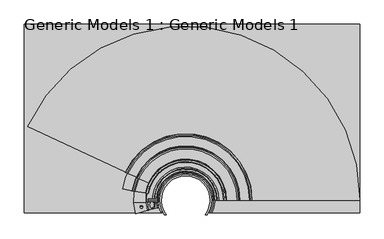
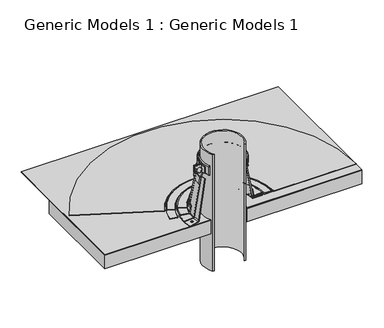
"""IFC4 building model written with IfcOpenShell, lengths in millimetres: proxy geometry, Generic Models 1 : Generic Models 1."""

from ifc_helpers import new_model, si_unit, point, frame, frame_2d, origin, place, context, project, spatial, polyline, circle_curve, ellipse_curve, trimmed, segment, composite_curve, outline, extrude, source, transform, mapped, element, save
from ifc_brep_helpers import plane_surface, cylinder_surface, revolved_surface, advanced_brep


def generic_models_1_generic_models_1_8d5bf27e(model_context):
    return source(origin(), model_context, "Body", "SolidModel", [
        advanced_brep(
        [(-66.7992773, 12.7, 353.9264172), (-67.5893807, 12.7, 353.9264172), (-67.194329, 12.7, 350.7089791), (-66.7992773, 12.7, 369.552659), (-67.5893807, 12.7, 369.552659), (-64.4139076, 12.7, 369.552659), (-69.9747504, 12.7, 369.552659), (-64.4139076, 12.7, 370.346409), (-69.9747504, 12.7, 370.346409), (-67.194329, 12.7, 370.346409)],
        [
            (0, 1, circle_curve(frame((-67.194329, 12.7, 353.9264172), z_axis=(0.0, 0.0, -1.0), x_axis=(-1.0, 0.0, 0.0)), 0.3950517)),
            (1, 2),
            (2, 0),
            (3, 4, circle_curve(frame((-67.194329, 12.7, 369.552659), z_axis=(0.0, 0.0, -1.0), x_axis=(-1.0, 0.0, 0.0)), 0.3950517)),
            (4, 1),
            (0, 3),
            (5, 6, circle_curve(frame((-67.194329, 12.7, 369.552659), z_axis=(0.0, 0.0, -1.0), x_axis=(-1.0, 0.0, 0.0)), 2.7804214)),
            (6, 4),
            (3, 5),
            (7, 8, circle_curve(frame((-67.194329, 12.7, 370.346409), z_axis=(0.0, 0.0, -1.0), x_axis=(-1.0, 0.0, 0.0)), 2.7804214)),
            (8, 6),
            (5, 7),
            (9, 8),
            (7, 9),
            (1, 0, circle_curve(frame((-67.194329, 12.7, 353.9264172), z_axis=(0.0, 0.0, -1.0), x_axis=(-1.0, 0.0, 0.0)), 0.3950517)),
            (4, 3, circle_curve(frame((-67.194329, 12.7, 369.552659), z_axis=(0.0, 0.0, -1.0), x_axis=(-1.0, 0.0, 0.0)), 0.3950517)),
            (6, 5, circle_curve(frame((-67.194329, 12.7, 369.552659), z_axis=(0.0, 0.0, -1.0), x_axis=(-1.0, 0.0, 0.0)), 2.7804214)),
            (8, 7, circle_curve(frame((-67.194329, 12.7, 370.346409), z_axis=(0.0, 0.0, -1.0), x_axis=(-1.0, 0.0, 0.0)), 2.7804214)),
        ],
        [
            revolved_surface(polyline([(-67.194329, 12.7, 350.7089791), (-67.5893807, 12.7, 353.9264172)]), (-67.194329, 12.7, 365.1803537), (0.0, 0.0, 1.0)),
            cylinder_surface(frame((-67.194329, 12.7, 365.1803537), z_axis=(0.0, 0.0, 1.0), x_axis=(-1.0, 0.0, 0.0)), 0.3950517),
            plane_surface(frame((-67.194329, 12.7, 369.552659), z_axis=(0.0, 0.0, -1.0), x_axis=(-1.0, 0.0, 0.0))),
            cylinder_surface(frame((-67.194329, 12.7, 365.1803537), z_axis=(0.0, 0.0, 1.0), x_axis=(-1.0, 0.0, 0.0)), 2.7804214),
            plane_surface(frame((-67.194329, 12.7, 370.346409), z_axis=(0.0, 0.0, 1.0), x_axis=(-1.0, 0.0, 0.0))),
        ],
        [
            (0, [[1, 2, 3]]),
            (1, [[4, 5, -1, 6]]),
            (2, [[7, 8, -4, 9]]),
            (3, [[10, 11, -7, 12]]),
            (4, [[13, -10, 14]]),
            (0, [[15, -3, -2]]),
            (1, [[16, -6, -15, -5]]),
            (2, [[17, -9, -16, -8]]),
            (3, [[18, -12, -17, -11]]),
            (4, [[-14, -18, -13]]),
        ],
    ),
        advanced_brep(
        [(132.8749503, 26.8183165, 370.346409), (132.8749503, 26.8183165, 371.933909), (108.3787769, 26.8183165, 371.933909), (106.8153946, 26.8183165, 373.2457426), (87.5709061, 26.8183165, 482.3866604), (86.0075238, 26.8183165, 482.1109939), (105.2520123, 26.8183165, 372.9700761), (108.3787769, 26.8183165, 370.346409), (-82.877108, 21.16865, 370.346409), (-58.4145057, 22.4506807, 370.346409), (-55.2920262, 22.6143229, 372.9700761), (-36.0739116, 23.6215016, 482.1109939), (-37.6351514, 23.5396805, 482.3866604), (-56.853266, 22.5325018, 373.2457426), (-58.4145057, 22.4506807, 371.933909), (-82.877108, 21.16865, 371.933909)],
        [
            (0, 1),
            (1, 2),
            (2, 3, circle_curve(frame((108.3787769, 26.8183165, 373.521409), z_axis=(0.0, 1.0, 0.0), x_axis=(1.0, 0.0, 0.0)), 1.5875)),
            (3, 4),
            (4, 5),
            (5, 6),
            (6, 7, circle_curve(frame((108.3787769, 26.8183165, 373.521409), z_axis=(0.0, -1.0, 0.0), x_axis=(1.0, 0.0, 0.0)), 3.175)),
            (7, 0),
            (8, 9),
            (9, 10, circle_curve(frame((-58.4145057, 22.4506807, 373.521409), z_axis=(0.05233595624293691, -0.9986295347545743, 0.0), x_axis=(-0.9986295347545743, -0.05233595624293691, 0.0)), 3.175)),
            (10, 11),
            (11, 12),
            (12, 13),
            (13, 14, circle_curve(frame((-58.4145057, 22.4506807, 373.521409), z_axis=(-0.05233595624293691, 0.9986295347545743, 0.0), x_axis=(-0.9986295347545743, -0.05233595624293691, 0.0)), 1.5875)),
            (14, 15),
            (15, 8),
            (15, 1, circle_curve(frame((24.9249503, 26.8183165, 371.933909), z_axis=(0.0, 0.0, -1.0), x_axis=(1.0, 0.0, 0.0)), 107.95)),
            (0, 8, circle_curve(frame((24.9249503, 26.8183165, 370.346409), z_axis=(0.0, 0.0, 1.0), x_axis=(1.0, 0.0, 0.0)), 107.95)),
            (7, 9, circle_curve(frame((24.9249503, 26.8183165, 370.346409), z_axis=(0.0, 0.0, 1.0), x_axis=(1.0, 0.0, 0.0)), 83.4538266)),
            (6, 10, circle_curve(frame((24.9249503, 26.8183165, 372.9700761), z_axis=(0.0, 0.0, 1.0), x_axis=(1.0, 0.0, 0.0)), 80.327062)),
            (5, 11, circle_curve(frame((24.9249503, 26.8183165, 482.1109939), z_axis=(0.0, 0.0, 1.0), x_axis=(1.0, 0.0, 0.0)), 61.0825735)),
            (4, 12, circle_curve(frame((24.9249503, 26.8183165, 482.3866604), z_axis=(0.0, 0.0, 1.0), x_axis=(1.0, 0.0, 0.0)), 62.6459558)),
            (14, 2, circle_curve(frame((24.9249503, 26.8183165, 371.933909), z_axis=(0.0, 0.0, -1.0), x_axis=(1.0, 0.0, 0.0)), 83.4538266)),
            (13, 3, circle_curve(frame((24.9249503, 26.8183165, 373.2457426), z_axis=(0.0, 0.0, -1.0), x_axis=(1.0, 0.0, 0.0)), 81.8904443)),
        ],
        [
            plane_surface(frame((24.9249503, 26.8183165, 553.3315424), z_axis=(0.0, -1.0, 0.0), x_axis=(1.0, 0.0, 0.0))),
            plane_surface(frame((24.9249503, 26.8183165, 553.3315424), z_axis=(0.05233595624293692, -0.9986295347545743, 0.0), x_axis=(-0.9986295347545743, -0.05233595624293692, 0.0))),
            cylinder_surface(frame((24.9249503, 26.8183165, 553.3315424), z_axis=(0.0, 0.0, 1.0), x_axis=(1.0, 0.0, 0.0)), 107.95),
            plane_surface(frame((24.9249503, 26.8183165, 370.346409), z_axis=(0.0, 0.0, -1.0), x_axis=(1.0, 0.0, 0.0))),
            revolved_surface(trimmed(ellipse_curve(frame((108.3787769, 26.8183165, 373.521409), z_axis=(0.0, -1.0, 0.0), x_axis=(1.0, 0.0, 0.0)), 3.175, 3.175), [point((105.2520123, 26.8183165, 372.9700761))], [point((108.3787769, 26.8183165, 370.346409))], True, "CARTESIAN"), (24.9249503, 26.8183165, 553.3315424), (0.0, 0.0, 1.0)),
            revolved_surface(polyline([(86.0075238, 26.8183165, 482.1109939), (105.2520123, 26.8183165, 372.9700761)]), (24.9249503, 26.8183165, 553.3315424), (0.0, 0.0, 1.0)),
            revolved_surface(polyline([(87.5709061, 26.8183165, 482.3866604), (86.0075238, 26.8183165, 482.1109939)]), (24.9249503, 26.8183165, 553.3315424), (0.0, 0.0, 1.0)),
            plane_surface(frame((24.9249503, 26.8183165, 371.933909), z_axis=(0.0, 0.0, 1.0), x_axis=(1.0, 0.0, 0.0))),
            revolved_surface(trimmed(ellipse_curve(frame((108.3787769, 26.8183165, 373.521409), z_axis=(0.0, 1.0, 0.0), x_axis=(1.0, 0.0, 0.0)), 1.5875, 1.5875), [point((108.3787769, 26.8183165, 371.933909))], [point((106.8153946, 26.8183165, 373.2457426))], True, "CARTESIAN"), (24.9249503, 26.8183165, 553.3315424), (0.0, 0.0, 1.0)),
            revolved_surface(polyline([(106.8153946, 26.8183165, 373.2457426), (87.5709061, 26.8183165, 482.3866604)]), (24.9249503, 26.8183165, 553.3315424), (0.0, 0.0, 1.0)),
        ],
        [
            (0, [[1, 2, 3, 4, 5, 6, 7, 8]]),
            (1, [[9, 10, 11, 12, 13, 14, 15, 16]]),
            (2, [[17, -1, 18, -16]]),
            (3, [[-18, -8, 19, -9]]),
            (4, [[-19, -7, 20, -10]]),
            (5, [[-20, -6, 21, -11]]),
            (6, [[-21, -5, 22, -12]]),
            (7, [[23, -2, -17, -15]]),
            (8, [[24, -3, -23, -14]]),
            (9, [[-22, -4, -24, -13]]),
        ],
    ),
        advanced_brep(
        [(82.0749503, 26.8183165, 493.8055907), (82.9845069, 26.8183165, 491.0062634), (88.6556603, 26.8183165, 483.2005904), (89.213796, 26.8183165, 481.8857052), (92.1622414, 26.8183165, 465.1642401), (93.7256237, 26.8183165, 465.4399066), (90.7771783, 26.8183165, 482.1613716), (89.9399748, 26.8183165, 484.1336995), (84.2688214, 26.8183165, 491.9393725), (83.6624503, 26.8183165, 493.8055907), (83.6624503, 26.8183165, 518.7101114), (82.0749503, 26.8183165, 518.7101114), (-32.0075767, 21.8373658, 493.8055907), (-32.0075767, 21.8373658, 518.7101114), (-33.5890358, 21.699006, 518.7101114), (-33.5890358, 21.699006, 493.8055907), (-34.1930994, 21.6461573, 491.9393725), (-39.8426724, 21.1518837, 484.1336995), (-40.6766901, 21.0789166, 482.1613716), (-43.6139158, 20.8219427, 465.4399066), (-42.0564826, 20.9582004, 465.1642401), (-39.1192569, 21.2151744, 481.8857052), (-38.5632451, 21.2638191, 483.2005904), (-32.9136721, 21.7580927, 491.0062634)],
        [
            (0, 1, circle_curve(frame((86.8374503, 26.8183165, 493.8055907), z_axis=(0.0, -1.0, 0.0), x_axis=(1.0, 0.0, 0.0)), 4.7625)),
            (1, 2),
            (2, 3, circle_curve(frame((86.0870314, 26.8183165, 481.3343722), z_axis=(0.0, 1.0, 0.0), x_axis=(1.0, 0.0, 0.0)), 3.175)),
            (3, 4),
            (4, 5),
            (5, 6),
            (6, 7, circle_curve(frame((86.0870314, 26.8183165, 481.3343722), z_axis=(0.0, -1.0, 0.0), x_axis=(1.0, 0.0, 0.0)), 4.7625)),
            (7, 8),
            (8, 9, circle_curve(frame((86.8374503, 26.8183165, 493.8055907), z_axis=(0.0, 1.0, 0.0), x_axis=(1.0, 0.0, 0.0)), 3.175)),
            (9, 10),
            (10, 11),
            (11, 0),
            (12, 13),
            (13, 14),
            (14, 15),
            (15, 16, circle_curve(frame((-36.7519539, 21.4222866, 493.8055907), z_axis=(-0.08715574274765131, 0.9961946980917462, 0.0), x_axis=(-0.9961946980917462, -0.08715574274765131, 0.0)), 3.175)),
            (16, 17),
            (17, 18, circle_curve(frame((-36.0043906, 21.4876899, 481.3343722), z_axis=(0.08715574274765131, -0.9961946980917462, 0.0), x_axis=(-0.9961946980917462, -0.08715574274765131, 0.0)), 4.7625)),
            (18, 19),
            (19, 20),
            (20, 21),
            (21, 22, circle_curve(frame((-36.0043906, 21.4876899, 481.3343722), z_axis=(-0.08715574274765131, 0.9961946980917462, 0.0), x_axis=(-0.9961946980917462, -0.08715574274765131, 0.0)), 3.175)),
            (22, 23),
            (23, 12, circle_curve(frame((-36.7519539, 21.4222866, 493.8055907), z_axis=(0.08715574274765131, -0.9961946980917462, 0.0), x_axis=(-0.9961946980917462, -0.08715574274765131, 0.0)), 4.7625)),
            (14, 10, circle_curve(frame((24.9249503, 26.8183165, 518.7101114), z_axis=(0.0, 0.0, -1.0), x_axis=(1.0, 0.0, 0.0)), 58.7375)),
            (9, 15, circle_curve(frame((24.9249503, 26.8183165, 493.8055907), z_axis=(0.0, 0.0, 1.0), x_axis=(1.0, 0.0, 0.0)), 58.7375)),
            (13, 11, circle_curve(frame((24.9249503, 26.8183165, 518.7101114), z_axis=(0.0, 0.0, -1.0), x_axis=(1.0, 0.0, 0.0)), 57.15)),
            (12, 0, circle_curve(frame((24.9249503, 26.8183165, 493.8055907), z_axis=(0.0, 0.0, -1.0), x_axis=(1.0, 0.0, 0.0)), 57.15)),
            (23, 1, circle_curve(frame((24.9249503, 26.8183165, 491.0062634), z_axis=(0.0, 0.0, -1.0), x_axis=(1.0, 0.0, 0.0)), 58.0595566)),
            (22, 2, circle_curve(frame((24.9249503, 26.8183165, 483.2005904), z_axis=(0.0, 0.0, -1.0), x_axis=(1.0, 0.0, 0.0)), 63.73071)),
            (21, 3, circle_curve(frame((24.9249503, 26.8183165, 481.8857052), z_axis=(0.0, 0.0, -1.0), x_axis=(1.0, 0.0, 0.0)), 64.2888457)),
            (20, 4, circle_curve(frame((24.9249503, 26.8183165, 465.1642401), z_axis=(0.0, 0.0, -1.0), x_axis=(1.0, 0.0, 0.0)), 67.2372911)),
            (19, 5, circle_curve(frame((24.9249503, 26.8183165, 465.4399066), z_axis=(0.0, 0.0, -1.0), x_axis=(1.0, 0.0, 0.0)), 68.8006734)),
            (18, 6, circle_curve(frame((24.9249503, 26.8183165, 482.1613716), z_axis=(0.0, 0.0, -1.0), x_axis=(1.0, 0.0, 0.0)), 65.852228)),
            (17, 7, circle_curve(frame((24.9249503, 26.8183165, 484.1336995), z_axis=(0.0, 0.0, -1.0), x_axis=(1.0, 0.0, 0.0)), 65.0150245)),
            (16, 8, circle_curve(frame((24.9249503, 26.8183165, 491.9393725), z_axis=(0.0, 0.0, -1.0), x_axis=(1.0, 0.0, 0.0)), 59.343871)),
        ],
        [
            plane_surface(frame((24.9249503, 26.8183165, 553.3315424), z_axis=(0.0, -1.0, 0.0), x_axis=(1.0, 0.0, 0.0))),
            plane_surface(frame((24.9249503, 26.8183165, 553.3315424), z_axis=(0.08715574274765131, -0.9961946980917461, 0.0), x_axis=(-0.9961946980917461, -0.08715574274765131, 0.0))),
            cylinder_surface(frame((24.9249503, 26.8183165, 553.3315424), z_axis=(0.0, 0.0, 1.0), x_axis=(1.0, 0.0, 0.0)), 58.7375),
            plane_surface(frame((24.9249503, 26.8183165, 518.7101114), z_axis=(0.0, 0.0, 1.0), x_axis=(1.0, 0.0, 0.0))),
            revolved_surface(polyline([(82.0749503, 26.8183165, 518.7101114), (82.0749503, 26.8183165, 493.8055907)]), (24.9249503, 26.8183165, 553.3315424), (0.0, 0.0, 1.0)),
            revolved_surface(trimmed(ellipse_curve(frame((86.8374503, 26.8183165, 493.8055907), z_axis=(0.0, -1.0, 0.0), x_axis=(1.0, 0.0, 0.0)), 4.7625, 4.7625), [point((82.0749503, 26.8183165, 493.8055907))], [point((82.9845069, 26.8183165, 491.0062634))], True, "CARTESIAN"), (24.9249503, 26.8183165, 553.3315424), (0.0, 0.0, 1.0)),
            revolved_surface(polyline([(82.9845069, 26.8183165, 491.0062634), (88.6556603, 26.8183165, 483.2005904)]), (24.9249503, 26.8183165, 553.3315424), (0.0, 0.0, 1.0)),
            revolved_surface(trimmed(ellipse_curve(frame((86.0870314, 26.8183165, 481.3343722), z_axis=(0.0, 1.0, 0.0), x_axis=(1.0, 0.0, 0.0)), 3.175, 3.175), [point((88.6556603, 26.8183165, 483.2005904))], [point((89.213796, 26.8183165, 481.8857052))], True, "CARTESIAN"), (24.9249503, 26.8183165, 553.3315424), (0.0, 0.0, 1.0)),
            revolved_surface(polyline([(89.213796, 26.8183165, 481.8857052), (92.1622414, 26.8183165, 465.1642401)]), (24.9249503, 26.8183165, 553.3315424), (0.0, 0.0, 1.0)),
            revolved_surface(polyline([(92.1622414, 26.8183165, 465.1642401), (93.7256237, 26.8183165, 465.4399066)]), (24.9249503, 26.8183165, 553.3315424), (0.0, 0.0, 1.0)),
            revolved_surface(polyline([(93.7256237, 26.8183165, 465.4399066), (90.7771783, 26.8183165, 482.1613716)]), (24.9249503, 26.8183165, 553.3315424), (0.0, 0.0, 1.0)),
            revolved_surface(trimmed(ellipse_curve(frame((86.0870314, 26.8183165, 481.3343722), z_axis=(0.0, -1.0, 0.0), x_axis=(1.0, 0.0, 0.0)), 4.7625, 4.7625), [point((90.7771783, 26.8183165, 482.1613716))], [point((89.9399748, 26.8183165, 484.1336995))], True, "CARTESIAN"), (24.9249503, 26.8183165, 553.3315424), (0.0, 0.0, 1.0)),
            revolved_surface(polyline([(89.9399748, 26.8183165, 484.1336995), (84.2688214, 26.8183165, 491.9393725)]), (24.9249503, 26.8183165, 553.3315424), (0.0, 0.0, 1.0)),
            revolved_surface(trimmed(ellipse_curve(frame((86.8374503, 26.8183165, 493.8055907), z_axis=(0.0, 1.0, 0.0), x_axis=(1.0, 0.0, 0.0)), 3.175, 3.175), [point((84.2688214, 26.8183165, 491.9393725))], [point((83.6624503, 26.8183165, 493.8055907))], True, "CARTESIAN"), (24.9249503, 26.8183165, 553.3315424), (0.0, 0.0, 1.0)),
        ],
        [
            (0, [[1, 2, 3, 4, 5, 6, 7, 8, 9, 10, 11, 12]]),
            (1, [[13, 14, 15, 16, 17, 18, 19, 20, 21, 22, 23, 24]]),
            (2, [[25, -10, 26, -15]]),
            (3, [[27, -11, -25, -14]]),
            (4, [[28, -12, -27, -13]]),
            (5, [[29, -1, -28, -24]]),
            (6, [[30, -2, -29, -23]]),
            (7, [[31, -3, -30, -22]]),
            (8, [[32, -4, -31, -21]]),
            (9, [[33, -5, -32, -20]]),
            (10, [[34, -6, -33, -19]]),
            (11, [[35, -7, -34, -18]]),
            (12, [[36, -8, -35, -17]]),
            (13, [[-26, -9, -36, -16]]),
        ],
    ),
        extrude(outline(composite_curve([segment(trimmed(circle_curve(frame_2d((7.0940263, -1.1482682)), 6.6136328), [point((0.5808383, 0.0))], [point((0.5808383, -2.2965365))], False, "CARTESIAN"), True, "CONTINUOUS"), segment(polyline([(0.5808383, -2.2965365), (-0.2871582, -2.2965365), (-0.2871582, 0.0), (0.5808383, 0.0)]), True, "CONTINUOUS")], self_intersect=False)), frame((-42.7345771, 24.1499083, 507.7014344), z_axis=(-0.7071067811865462, 0.0, 0.7071067811865489), x_axis=(0.0, -1.0, 0.0)), (0.0, 0.0, 1.0), 1.5875),
        extrude(outline(composite_curve([segment(polyline([(-33.8071863, 27.6120665), (-52.8625497, 27.6120665), (-52.8625497, 29.1995665), (-35.353033, 29.1995665)]), True, "CONTINUOUS"), segment(trimmed(circle_curve(frame_2d((24.9249503, 26.8183165)), 60.325), [point((-35.353033, 29.1995665))], [point((78.9608969, 0.0))], False, "CARTESIAN"), True, "CONTINUOUS"), segment(polyline([(78.9608969, 0.0), (77.1826943, 0.0)]), True, "CONTINUOUS"), segment(trimmed(circle_curve(frame_2d((24.9249503, 26.8183165)), 58.7375), [point((77.1826943, 0.0))], [point((-33.8071863, 27.6120665))], True, "CARTESIAN"), True, "CONTINUOUS")], self_intersect=False)), frame((0.0, 0.0, 497.7302696), z_axis=(0.0, 0.0, 1.0), x_axis=(1.0, 0.0, 0.0)), (0.0, 0.0, 1.0), 19.05),
        extrude(outline(composite_curve([segment(trimmed(circle_curve(frame_2d((24.9249503, 26.8183165)), 60.325), [point((-33.3196456, 11.1125))], [point((-35.353033, 24.4370665))], False, "CARTESIAN"), True, "CONTINUOUS"), segment(polyline([(-35.353033, 24.4370665), (-52.8625497, 24.4370665), (-52.8625497, 26.0245665), (-33.8071863, 26.0245665)]), True, "CONTINUOUS"), segment(trimmed(circle_curve(frame_2d((24.9249503, 26.8183165)), 58.7375), [point((-33.8071863, 26.0245665))], [point((-31.6738238, 11.1125))], True, "CARTESIAN"), True, "CONTINUOUS"), segment(polyline([(-31.6738238, 11.1125), (-33.3196456, 11.1125)]), True, "CONTINUOUS")], self_intersect=False)), frame((0.0, 0.0, 497.7302696), z_axis=(0.0, 0.0, 1.0), x_axis=(1.0, 0.0, 0.0)), (0.0, 0.0, 1.0), 19.05),
        advanced_brep(
        [(78.8999503, 26.8183165, 520.9252815), (78.8999503, 26.8183165, 493.8646181), (82.0749503, 26.8183165, 496.0797882), (82.0749503, 26.8183165, 518.7101114), (-23.9930125, 4.0074958, 520.9252815), (-26.8705397, 2.6656828, 518.7101114), (-26.8705397, 2.6656828, 496.0797882), (-23.9930125, 4.0074958, 493.8646181)],
        [
            (0, 1),
            (1, 2, circle_curve(frame((77.9949597, 26.8183165, 498.5446862), z_axis=(0.0, -1.0, 0.0), x_axis=(1.0, 0.0, 0.0)), 4.7667648)),
            (2, 3),
            (3, 0, circle_curve(frame((77.9949597, 26.8183165, 516.2452133), z_axis=(0.0, -1.0, 0.0), x_axis=(1.0, 0.0, 0.0)), 4.7667648)),
            (4, 5, circle_curve(frame((-23.1728124, 4.3899614, 516.2452133), z_axis=(0.42261826174069284, -0.906307787036653, 0.0), x_axis=(-0.906307787036653, -0.42261826174069284, 0.0)), 4.7667648)),
            (5, 6),
            (6, 7, circle_curve(frame((-23.1728124, 4.3899614, 498.5446862), z_axis=(0.42261826174069284, -0.906307787036653, 0.0), x_axis=(-0.906307787036653, -0.42261826174069284, 0.0)), 4.7667648)),
            (7, 4),
            (7, 1, circle_curve(frame((24.9249503, 26.8183165, 493.8646181), z_axis=(0.0, 0.0, -1.0), x_axis=(1.0, 0.0, 0.0)), 53.975)),
            (0, 4, circle_curve(frame((24.9249503, 26.8183165, 520.9252815), z_axis=(0.0, 0.0, 1.0), x_axis=(1.0, 0.0, 0.0)), 53.975)),
            (5, 3, circle_curve(frame((24.9249503, 26.8183165, 518.7101114), z_axis=(0.0, 0.0, -1.0), x_axis=(1.0, 0.0, 0.0)), 57.15)),
            (2, 6, circle_curve(frame((24.9249503, 26.8183165, 496.0797882), z_axis=(0.0, 0.0, 1.0), x_axis=(1.0, 0.0, 0.0)), 57.15)),
        ],
        [
            plane_surface(frame((24.9249503, 26.8183165, 553.3315424), z_axis=(0.0, -1.0, 0.0), x_axis=(1.0, 0.0, 0.0))),
            plane_surface(frame((24.9249503, 26.8183165, 553.3315424), z_axis=(0.42261826174069284, -0.9063077870366532, 0.0), x_axis=(-0.9063077870366532, -0.42261826174069284, 0.0))),
            revolved_surface(polyline([(78.8999503, 26.8183165, 520.9252815), (78.8999503, 26.8183165, 493.8646181)]), (24.9249503, 26.8183165, 553.3315424), (0.0, 0.0, 1.0)),
            cylinder_surface(frame((24.9249503, 26.8183165, 553.3315424), z_axis=(0.0, 0.0, 1.0), x_axis=(1.0, 0.0, 0.0)), 57.15),
            revolved_surface(trimmed(ellipse_curve(frame((77.9949597, 26.8183165, 516.2452133), z_axis=(0.0, -1.0, 0.0), x_axis=(1.0, 0.0, 0.0)), 4.7667648, 4.7667648), [point((82.0749503, 26.8183165, 518.7101114))], [point((78.8999503, 26.8183165, 520.9252815))], True, "CARTESIAN"), (24.9249503, 26.8183165, 553.3315424), (0.0, 0.0, 1.0)),
            revolved_surface(trimmed(ellipse_curve(frame((77.9949597, 26.8183165, 498.5446862), z_axis=(0.0, -1.0, 0.0), x_axis=(1.0, 0.0, 0.0)), 4.7667648, 4.7667648), [point((78.8999503, 26.8183165, 493.8646181))], [point((82.0749503, 26.8183165, 496.0797882))], True, "CARTESIAN"), (24.9249503, 26.8183165, 553.3315424), (0.0, 0.0, 1.0)),
        ],
        [
            (0, [[1, 2, 3, 4]]),
            (1, [[5, 6, 7, 8]]),
            (2, [[9, -1, 10, -8]]),
            (3, [[11, -3, 12, -6]]),
            (4, [[-10, -4, -11, -5]]),
            (5, [[-12, -2, -9, -7]]),
        ],
    ),
        advanced_brep(
        [(132.2173863, 26.8183165, 374.315159), (134.4624503, 26.8183165, 373.3852231), (136.5713284, 26.8183165, 371.276345), (138.8163924, 26.8183165, 370.346409), (157.8353338, 26.8183165, 370.346409), (159.4228338, 26.8183165, 369.9210397), (162.2085413, 26.8183165, 368.3127107), (163.7960413, 26.8183165, 367.8873414), (387.35, 26.8183165, 367.8873414), (387.35, 26.8183165, 369.4748414), (163.7960413, 26.8183165, 369.4748414), (163.0022913, 26.8183165, 369.687526), (160.2165838, 26.8183165, 371.295855), (157.8353338, 26.8183165, 371.933909), (138.8163924, 26.8183165, 371.933909), (137.6938604, 26.8183165, 372.398877), (135.5849823, 26.8183165, 374.5077551), (132.2173863, 26.8183165, 375.902659), (110.7678754, 26.8183165, 375.902659), (110.7678754, 26.8183165, 374.315159), (-72.3150199, 72.1620593, 374.315159), (-52.8751611, 63.0971043, 374.315159), (-52.8751611, 63.0971043, 375.902659), (-72.3150199, 72.1620593, 375.902659), (-75.3670984, 73.5852669, 374.5077551), (-77.278391, 74.4765172, 372.398877), (-78.2957505, 74.9509198, 371.933909), (-95.5327652, 82.9886717, 371.933909), (-97.6909106, 83.9950315, 371.295855), (-100.2156191, 85.1723223, 369.687526), (-100.9350009, 85.5077756, 369.4748414), (-303.5436944, 179.985761, 369.4748414), (-303.5436944, 179.985761, 367.8873414), (-100.9350009, 85.5077756, 367.8873414), (-99.4962373, 84.8368691, 368.3127107), (-96.9715288, 83.6595782, 369.9210397), (-95.5327652, 82.9886717, 370.346409), (-78.2957505, 74.9509198, 370.346409), (-76.2610315, 74.0021147, 371.276345), (-74.3497389, 73.1108643, 373.3852231)],
        [
            (0, 1, circle_curve(frame((132.2173863, 26.8183165, 371.140159), z_axis=(0.0, 1.0, 0.0), x_axis=(1.0, 0.0, 0.0)), 3.175)),
            (1, 2),
            (2, 3, circle_curve(frame((138.8163924, 26.8183165, 373.521409), z_axis=(0.0, -1.0, 0.0), x_axis=(1.0, 0.0, 0.0)), 3.175)),
            (3, 4),
            (4, 5, circle_curve(frame((157.8353338, 26.8183165, 367.171409), z_axis=(0.0, 1.0, 0.0), x_axis=(1.0, 0.0, 0.0)), 3.175)),
            (5, 6),
            (6, 7, circle_curve(frame((163.7960413, 26.8183165, 371.0623414), z_axis=(0.0, -1.0, 0.0), x_axis=(1.0, 0.0, 0.0)), 3.175)),
            (7, 8),
            (8, 9),
            (9, 10),
            (10, 11, circle_curve(frame((163.7960413, 26.8183165, 371.0623414), z_axis=(0.0, 1.0, 0.0), x_axis=(1.0, 0.0, 0.0)), 1.5875)),
            (11, 12),
            (12, 13, circle_curve(frame((157.8353338, 26.8183165, 367.171409), z_axis=(0.0, -1.0, 0.0), x_axis=(1.0, 0.0, 0.0)), 4.7625)),
            (13, 14),
            (14, 15, circle_curve(frame((138.8163924, 26.8183165, 373.521409), z_axis=(0.0, 1.0, 0.0), x_axis=(1.0, 0.0, 0.0)), 1.5875)),
            (15, 16),
            (16, 17, circle_curve(frame((132.2173863, 26.8183165, 371.140159), z_axis=(0.0, -1.0, 0.0), x_axis=(1.0, 0.0, 0.0)), 4.7625)),
            (17, 18),
            (18, 19),
            (19, 0),
            (20, 21),
            (21, 22),
            (22, 23),
            (23, 24, circle_curve(frame((-72.3150199, 72.1620593, 371.140159), z_axis=(-0.4226182617407047, -0.9063077870366475, 0.0), x_axis=(-0.9063077870366475, 0.4226182617407047, 0.0)), 4.7625)),
            (24, 25),
            (25, 26, circle_curve(frame((-78.2957505, 74.9509198, 373.521409), z_axis=(0.4226182617407047, 0.9063077870366475, 0.0), x_axis=(-0.9063077870366475, 0.4226182617407047, 0.0)), 1.5875)),
            (26, 27),
            (27, 28, circle_curve(frame((-95.5327652, 82.9886717, 367.171409), z_axis=(-0.4226182617407047, -0.9063077870366475, 0.0), x_axis=(-0.9063077870366475, 0.4226182617407047, 0.0)), 4.7625)),
            (28, 29),
            (29, 30, circle_curve(frame((-100.9350009, 85.5077756, 371.0623414), z_axis=(0.4226182617407047, 0.9063077870366475, 0.0), x_axis=(-0.9063077870366475, 0.4226182617407047, 0.0)), 1.5875)),
            (30, 31),
            (31, 32),
            (32, 33),
            (33, 34, circle_curve(frame((-100.9350009, 85.5077756, 371.0623414), z_axis=(-0.4226182617407047, -0.9063077870366475, 0.0), x_axis=(-0.9063077870366475, 0.4226182617407047, 0.0)), 3.175)),
            (34, 35),
            (35, 36, circle_curve(frame((-95.5327652, 82.9886717, 367.171409), z_axis=(0.4226182617407047, 0.9063077870366475, 0.0), x_axis=(-0.9063077870366475, 0.4226182617407047, 0.0)), 3.175)),
            (36, 37),
            (37, 38, circle_curve(frame((-78.2957505, 74.9509198, 373.521409), z_axis=(-0.4226182617407047, -0.9063077870366475, 0.0), x_axis=(-0.9063077870366475, 0.4226182617407047, 0.0)), 3.175)),
            (38, 39),
            (39, 20, circle_curve(frame((-72.3150199, 72.1620593, 371.140159), z_axis=(0.4226182617407047, 0.9063077870366475, 0.0), x_axis=(-0.9063077870366475, 0.4226182617407047, 0.0)), 3.175)),
            (36, 4, circle_curve(frame((24.9249503, 26.8183165, 370.346409), z_axis=(0.0, 0.0, -1.0), x_axis=(1.0, 0.0, 0.0)), 132.9103835)),
            (3, 37, circle_curve(frame((24.9249503, 26.8183165, 370.346409), z_axis=(0.0, 0.0, 1.0), x_axis=(1.0, 0.0, 0.0)), 113.8914421)),
            (20, 0, circle_curve(frame((24.9249503, 26.8183165, 374.315159), z_axis=(0.0, 0.0, -1.0), x_axis=(1.0, 0.0, 0.0)), 107.292436)),
            (19, 21, circle_curve(frame((24.9249503, 26.8183165, 374.315159), z_axis=(0.0, 0.0, 1.0), x_axis=(1.0, 0.0, 0.0)), 85.8429251)),
            (34, 6, circle_curve(frame((24.9249503, 26.8183165, 368.3127107), z_axis=(0.0, 0.0, -1.0), x_axis=(1.0, 0.0, 0.0)), 137.283591)),
            (5, 35, circle_curve(frame((24.9249503, 26.8183165, 369.9210397), z_axis=(0.0, 0.0, 1.0), x_axis=(1.0, 0.0, 0.0)), 134.4978835)),
            (32, 8, circle_curve(frame((24.9249503, 26.8183165, 367.8873414), z_axis=(0.0, 0.0, -1.0), x_axis=(1.0, 0.0, 0.0)), 362.4250497)),
            (7, 33, circle_curve(frame((24.9249503, 26.8183165, 367.8873414), z_axis=(0.0, 0.0, 1.0), x_axis=(1.0, 0.0, 0.0)), 138.871091)),
            (31, 9, circle_curve(frame((24.9249503, 26.8183165, 369.4748414), z_axis=(0.0, 0.0, -1.0), x_axis=(1.0, 0.0, 0.0)), 362.4250497)),
            (18, 22, circle_curve(frame((24.9249503, 26.8183165, 375.902659), z_axis=(0.0, 0.0, 1.0), x_axis=(1.0, 0.0, 0.0)), 85.8429251)),
            (39, 1, circle_curve(frame((24.9249503, 26.8183165, 373.3852231), z_axis=(0.0, 0.0, -1.0), x_axis=(1.0, 0.0, 0.0)), 109.5375)),
            (38, 2, circle_curve(frame((24.9249503, 26.8183165, 371.276345), z_axis=(0.0, 0.0, -1.0), x_axis=(1.0, 0.0, 0.0)), 111.6463781)),
            (30, 10, circle_curve(frame((24.9249503, 26.8183165, 369.4748414), z_axis=(0.0, 0.0, -1.0), x_axis=(1.0, 0.0, 0.0)), 138.871091)),
            (29, 11, circle_curve(frame((24.9249503, 26.8183165, 369.687526), z_axis=(0.0, 0.0, -1.0), x_axis=(1.0, 0.0, 0.0)), 138.077341)),
            (28, 12, circle_curve(frame((24.9249503, 26.8183165, 371.295855), z_axis=(0.0, 0.0, -1.0), x_axis=(1.0, 0.0, 0.0)), 135.2916335)),
            (27, 13, circle_curve(frame((24.9249503, 26.8183165, 371.933909), z_axis=(0.0, 0.0, -1.0), x_axis=(1.0, 0.0, 0.0)), 132.9103835)),
            (26, 14, circle_curve(frame((24.9249503, 26.8183165, 371.933909), z_axis=(0.0, 0.0, -1.0), x_axis=(1.0, 0.0, 0.0)), 113.8914421)),
            (25, 15, circle_curve(frame((24.9249503, 26.8183165, 372.398877), z_axis=(0.0, 0.0, -1.0), x_axis=(1.0, 0.0, 0.0)), 112.7689101)),
            (24, 16, circle_curve(frame((24.9249503, 26.8183165, 374.5077551), z_axis=(0.0, 0.0, -1.0), x_axis=(1.0, 0.0, 0.0)), 110.660032)),
            (23, 17, circle_curve(frame((24.9249503, 26.8183165, 375.902659), z_axis=(0.0, 0.0, -1.0), x_axis=(1.0, 0.0, 0.0)), 107.292436)),
        ],
        [
            plane_surface(frame((24.9249503, 26.8183165, 553.3315424), z_axis=(0.0, -1.0, 0.0), x_axis=(1.0, 0.0, 0.0))),
            plane_surface(frame((24.9249503, 26.8183165, 553.3315424), z_axis=(-0.42261826174070477, -0.9063077870366475, 0.0), x_axis=(-0.9063077870366475, 0.42261826174070477, 0.0))),
            plane_surface(frame((24.9249503, 26.8183165, 370.346409), z_axis=(0.0, 0.0, -1.0), x_axis=(1.0, 0.0, 0.0))),
            plane_surface(frame((24.9249503, 26.8183165, 374.315159), z_axis=(0.0, 0.0, -1.0), x_axis=(1.0, 0.0, 0.0))),
            revolved_surface(polyline([(159.4228338, 26.8183165, 369.9210397), (162.2085413, 26.8183165, 368.3127107)]), (24.9249503, 26.8183165, 553.3315424), (0.0, 0.0, 1.0)),
            plane_surface(frame((24.9249503, 26.8183165, 367.8873414), z_axis=(0.0, 0.0, -1.0), x_axis=(1.0, 0.0, 0.0))),
            cylinder_surface(frame((24.9249503, 26.8183165, 553.3315424), z_axis=(0.0, 0.0, 1.0), x_axis=(1.0, 0.0, 0.0)), 362.4250497),
            revolved_surface(polyline([(110.76787540000001, 26.8183165, 375.902659), (110.76787540000001, 26.8183165, 374.315159)]), (24.9249503, 26.8183165, 553.3315424), (0.0, 0.0, 1.0)),
            revolved_surface(trimmed(ellipse_curve(frame((132.2173863, 26.8183165, 371.140159), z_axis=(0.0, 1.0, 0.0), x_axis=(1.0, 0.0, 0.0)), 3.175, 3.175), [point((132.2173863, 26.8183165, 374.315159))], [point((134.4624503, 26.8183165, 373.3852231))], True, "CARTESIAN"), (24.9249503, 26.8183165, 553.3315424), (0.0, 0.0, 1.0)),
            revolved_surface(polyline([(134.4624503, 26.8183165, 373.3852231), (136.5713284, 26.8183165, 371.276345)]), (24.9249503, 26.8183165, 553.3315424), (0.0, 0.0, 1.0)),
            revolved_surface(trimmed(ellipse_curve(frame((138.8163924, 26.8183165, 373.521409), z_axis=(0.0, -1.0, 0.0), x_axis=(1.0, 0.0, 0.0)), 3.175, 3.175), [point((136.5713284, 26.8183165, 371.276345))], [point((138.8163924, 26.8183165, 370.346409))], True, "CARTESIAN"), (24.9249503, 26.8183165, 553.3315424), (0.0, 0.0, 1.0)),
            revolved_surface(trimmed(ellipse_curve(frame((157.8353338, 26.8183165, 367.171409), z_axis=(0.0, 1.0, 0.0), x_axis=(1.0, 0.0, 0.0)), 3.175, 3.175), [point((157.8353338, 26.8183165, 370.346409))], [point((159.4228338, 26.8183165, 369.9210397))], True, "CARTESIAN"), (24.9249503, 26.8183165, 553.3315424), (0.0, 0.0, 1.0)),
            revolved_surface(trimmed(ellipse_curve(frame((163.7960413, 26.8183165, 371.0623414), z_axis=(0.0, -1.0, 0.0), x_axis=(1.0, 0.0, 0.0)), 3.175, 3.175), [point((162.2085413, 26.8183165, 368.3127107))], [point((163.7960413, 26.8183165, 367.8873414))], True, "CARTESIAN"), (24.9249503, 26.8183165, 553.3315424), (0.0, 0.0, 1.0)),
            plane_surface(frame((24.9249503, 26.8183165, 369.4748414), z_axis=(0.0, 0.0, 1.0), x_axis=(1.0, 0.0, 0.0))),
            revolved_surface(trimmed(ellipse_curve(frame((163.7960413, 26.8183165, 371.0623414), z_axis=(0.0, 1.0, 0.0), x_axis=(1.0, 0.0, 0.0)), 1.5875, 1.5875), [point((163.7960413, 26.8183165, 369.4748414))], [point((163.0022913, 26.8183165, 369.687526))], True, "CARTESIAN"), (24.9249503, 26.8183165, 553.3315424), (0.0, 0.0, 1.0)),
            revolved_surface(polyline([(163.0022913, 26.8183165, 369.687526), (160.2165838, 26.8183165, 371.295855)]), (24.9249503, 26.8183165, 553.3315424), (0.0, 0.0, 1.0)),
            revolved_surface(trimmed(ellipse_curve(frame((157.8353338, 26.8183165, 367.171409), z_axis=(0.0, -1.0, 0.0), x_axis=(1.0, 0.0, 0.0)), 4.7625, 4.7625), [point((160.2165838, 26.8183165, 371.295855))], [point((157.8353338, 26.8183165, 371.933909))], True, "CARTESIAN"), (24.9249503, 26.8183165, 553.3315424), (0.0, 0.0, 1.0)),
            plane_surface(frame((24.9249503, 26.8183165, 371.933909), z_axis=(0.0, 0.0, 1.0), x_axis=(1.0, 0.0, 0.0))),
            revolved_surface(trimmed(ellipse_curve(frame((138.8163924, 26.8183165, 373.521409), z_axis=(0.0, 1.0, 0.0), x_axis=(1.0, 0.0, 0.0)), 1.5875, 1.5875), [point((138.8163924, 26.8183165, 371.933909))], [point((137.6938604, 26.8183165, 372.398877))], True, "CARTESIAN"), (24.9249503, 26.8183165, 553.3315424), (0.0, 0.0, 1.0)),
            revolved_surface(polyline([(137.6938604, 26.8183165, 372.398877), (135.5849823, 26.8183165, 374.5077551)]), (24.9249503, 26.8183165, 553.3315424), (0.0, 0.0, 1.0)),
            revolved_surface(trimmed(ellipse_curve(frame((132.2173863, 26.8183165, 371.140159), z_axis=(0.0, -1.0, 0.0), x_axis=(1.0, 0.0, 0.0)), 4.7625, 4.7625), [point((135.5849823, 26.8183165, 374.5077551))], [point((132.2173863, 26.8183165, 375.902659))], True, "CARTESIAN"), (24.9249503, 26.8183165, 553.3315424), (0.0, 0.0, 1.0)),
            plane_surface(frame((24.9249503, 26.8183165, 375.902659), z_axis=(0.0, 0.0, 1.0), x_axis=(1.0, 0.0, 0.0))),
        ],
        [
            (0, [[1, 2, 3, 4, 5, 6, 7, 8, 9, 10, 11, 12, 13, 14, 15, 16, 17, 18, 19, 20]]),
            (1, [[21, 22, 23, 24, 25, 26, 27, 28, 29, 30, 31, 32, 33, 34, 35, 36, 37, 38, 39, 40]]),
            (2, [[41, -4, 42, -37]]),
            (3, [[43, -20, 44, -21]]),
            (4, [[45, -6, 46, -35]]),
            (5, [[47, -8, 48, -33]]),
            (6, [[49, -9, -47, -32]]),
            (7, [[-44, -19, 50, -22]]),
            (8, [[51, -1, -43, -40]]),
            (9, [[52, -2, -51, -39]]),
            (10, [[-42, -3, -52, -38]]),
            (11, [[-46, -5, -41, -36]]),
            (12, [[-48, -7, -45, -34]]),
            (13, [[53, -10, -49, -31]]),
            (14, [[54, -11, -53, -30]]),
            (15, [[55, -12, -54, -29]]),
            (16, [[56, -13, -55, -28]]),
            (17, [[57, -14, -56, -27]]),
            (18, [[58, -15, -57, -26]]),
            (19, [[59, -16, -58, -25]]),
            (20, [[60, -17, -59, -24]]),
            (21, [[-50, -18, -60, -23]]),
        ],
    ),
        advanced_brep(
        [(103.8980784, 26.8183165, 394.3616887), (107.2501183, 26.8183165, 375.3513261), (110.3768829, 26.8183165, 372.727659), (132.2173863, 26.8183165, 372.727659), (133.3399183, 26.8183165, 372.2626911), (136.7075143, 26.8183165, 368.895095), (138.9525784, 26.8183165, 367.965159), (158.2749503, 26.8183165, 367.965159), (158.2749503, 26.8183165, 369.552659), (138.9525784, 26.8183165, 369.552659), (137.8300464, 26.8183165, 370.017627), (134.4624503, 26.8183165, 373.3852231), (132.2173863, 26.8183165, 374.315159), (110.3768829, 26.8183165, 374.315159), (108.8135006, 26.8183165, 375.6269926), (105.4614607, 26.8183165, 394.6373551), (-52.8483986, 40.5318563, 394.3616887), (-54.3880296, 40.8033348, 394.6373551), (-57.6891444, 41.3854104, 375.6269926), (-59.2287754, 41.6568889, 374.315159), (-80.7374725, 45.4494525, 374.315159), (-82.9484289, 45.8393037, 373.3852231), (-86.2648636, 46.4240807, 370.017627), (-87.3703419, 46.6190063, 369.552659), (-106.3991636, 49.974301, 369.552659), (-106.3991636, 49.974301, 367.965159), (-87.3703419, 46.6190063, 367.965159), (-85.1593854, 46.229155, 368.895095), (-81.8429507, 45.6443781, 372.2626911), (-80.7374725, 45.4494525, 372.727659), (-59.2287754, 41.6568889, 372.727659), (-56.1495134, 41.1139319, 375.3513261)],
        [
            (0, 1),
            (1, 2, circle_curve(frame((110.3768829, 26.8183165, 375.902659), z_axis=(0.0, -1.0, 0.0), x_axis=(1.0, 0.0, 0.0)), 3.175)),
            (2, 3),
            (3, 4, circle_curve(frame((132.2173863, 26.8183165, 371.140159), z_axis=(0.0, 1.0, 0.0), x_axis=(1.0, 0.0, 0.0)), 1.5875)),
            (4, 5),
            (5, 6, circle_curve(frame((138.9525784, 26.8183165, 371.140159), z_axis=(0.0, -1.0, 0.0), x_axis=(1.0, 0.0, 0.0)), 3.175)),
            (6, 7),
            (7, 8),
            (8, 9),
            (9, 10, circle_curve(frame((138.9525784, 26.8183165, 371.140159), z_axis=(0.0, 1.0, 0.0), x_axis=(1.0, 0.0, 0.0)), 1.5875)),
            (10, 11),
            (11, 12, circle_curve(frame((132.2173863, 26.8183165, 371.140159), z_axis=(0.0, -1.0, 0.0), x_axis=(1.0, 0.0, 0.0)), 3.175)),
            (12, 13),
            (13, 14, circle_curve(frame((110.3768829, 26.8183165, 375.902659), z_axis=(0.0, 1.0, 0.0), x_axis=(1.0, 0.0, 0.0)), 1.5875)),
            (14, 15),
            (15, 0),
            (16, 17),
            (17, 18),
            (18, 19, circle_curve(frame((-59.2287754, 41.6568889, 375.902659), z_axis=(0.17364817766693683, 0.9848077530122069, 0.0), x_axis=(-0.9848077530122069, 0.17364817766693683, 0.0)), 1.5875)),
            (19, 20),
            (20, 21, circle_curve(frame((-80.7374725, 45.4494525, 371.140159), z_axis=(-0.17364817766693683, -0.9848077530122069, 0.0), x_axis=(-0.9848077530122069, 0.17364817766693683, 0.0)), 3.175)),
            (21, 22),
            (22, 23, circle_curve(frame((-87.3703419, 46.6190063, 371.140159), z_axis=(0.17364817766693683, 0.9848077530122069, 0.0), x_axis=(-0.9848077530122069, 0.17364817766693683, 0.0)), 1.5875)),
            (23, 24),
            (24, 25),
            (25, 26),
            (26, 27, circle_curve(frame((-87.3703419, 46.6190063, 371.140159), z_axis=(-0.17364817766693683, -0.9848077530122069, 0.0), x_axis=(-0.9848077530122069, 0.17364817766693683, 0.0)), 3.175)),
            (27, 28),
            (28, 29, circle_curve(frame((-80.7374725, 45.4494525, 371.140159), z_axis=(0.17364817766693683, 0.9848077530122069, 0.0), x_axis=(-0.9848077530122069, 0.17364817766693683, 0.0)), 1.5875)),
            (29, 30),
            (30, 31, circle_curve(frame((-59.2287754, 41.6568889, 375.902659), z_axis=(-0.17364817766693683, -0.9848077530122069, 0.0), x_axis=(-0.9848077530122069, 0.17364817766693683, 0.0)), 3.175)),
            (31, 16),
            (31, 1, circle_curve(frame((24.9249503, 26.8183165, 375.3513261), z_axis=(0.0, 0.0, -1.0), x_axis=(1.0, 0.0, 0.0)), 82.325168)),
            (0, 16, circle_curve(frame((24.9249503, 26.8183165, 394.3616887), z_axis=(0.0, 0.0, 1.0), x_axis=(1.0, 0.0, 0.0)), 78.9731281)),
            (30, 2, circle_curve(frame((24.9249503, 26.8183165, 372.727659), z_axis=(0.0, 0.0, -1.0), x_axis=(1.0, 0.0, 0.0)), 85.4519326)),
            (29, 3, circle_curve(frame((24.9249503, 26.8183165, 372.727659), z_axis=(0.0, 0.0, -1.0), x_axis=(1.0, 0.0, 0.0)), 107.292436)),
            (28, 4, circle_curve(frame((24.9249503, 26.8183165, 372.2626911), z_axis=(0.0, 0.0, -1.0), x_axis=(1.0, 0.0, 0.0)), 108.414968)),
            (27, 5, circle_curve(frame((24.9249503, 26.8183165, 368.895095), z_axis=(0.0, 0.0, -1.0), x_axis=(1.0, 0.0, 0.0)), 111.782564)),
            (26, 6, circle_curve(frame((24.9249503, 26.8183165, 367.965159), z_axis=(0.0, 0.0, -1.0), x_axis=(1.0, 0.0, 0.0)), 114.0276281)),
            (25, 7, circle_curve(frame((24.9249503, 26.8183165, 367.965159), z_axis=(0.0, 0.0, -1.0), x_axis=(1.0, 0.0, 0.0)), 133.35)),
            (24, 8, circle_curve(frame((24.9249503, 26.8183165, 369.552659), z_axis=(0.0, 0.0, -1.0), x_axis=(1.0, 0.0, 0.0)), 133.35)),
            (23, 9, circle_curve(frame((24.9249503, 26.8183165, 369.552659), z_axis=(0.0, 0.0, -1.0), x_axis=(1.0, 0.0, 0.0)), 114.0276281)),
            (22, 10, circle_curve(frame((24.9249503, 26.8183165, 370.017627), z_axis=(0.0, 0.0, -1.0), x_axis=(1.0, 0.0, 0.0)), 112.905096)),
            (21, 11, circle_curve(frame((24.9249503, 26.8183165, 373.3852231), z_axis=(0.0, 0.0, -1.0), x_axis=(1.0, 0.0, 0.0)), 109.5375)),
            (20, 12, circle_curve(frame((24.9249503, 26.8183165, 374.315159), z_axis=(0.0, 0.0, -1.0), x_axis=(1.0, 0.0, 0.0)), 107.292436)),
            (19, 13, circle_curve(frame((24.9249503, 26.8183165, 374.315159), z_axis=(0.0, 0.0, -1.0), x_axis=(1.0, 0.0, 0.0)), 85.4519326)),
            (18, 14, circle_curve(frame((24.9249503, 26.8183165, 375.6269926), z_axis=(0.0, 0.0, -1.0), x_axis=(1.0, 0.0, 0.0)), 83.8885503)),
            (17, 15, circle_curve(frame((24.9249503, 26.8183165, 394.6373551), z_axis=(0.0, 0.0, -1.0), x_axis=(1.0, 0.0, 0.0)), 80.5365104)),
        ],
        [
            plane_surface(frame((24.9249503, 26.8183165, 553.3315424), z_axis=(0.0, -1.0, 0.0), x_axis=(1.0, 0.0, 0.0))),
            plane_surface(frame((24.9249503, 26.8183165, 553.3315424), z_axis=(-0.17364817766693685, -0.984807753012207, 0.0), x_axis=(-0.984807753012207, 0.17364817766693685, 0.0))),
            revolved_surface(polyline([(103.8980784, 26.8183165, 394.3616887), (107.2501183, 26.8183165, 375.3513261)]), (24.9249503, 26.8183165, 553.3315424), (0.0, 0.0, 1.0)),
            revolved_surface(trimmed(ellipse_curve(frame((110.3768829, 26.8183165, 375.902659), z_axis=(0.0, -1.0, 0.0), x_axis=(1.0, 0.0, 0.0)), 3.175, 3.175), [point((107.2501183, 26.8183165, 375.3513261))], [point((110.3768829, 26.8183165, 372.727659))], True, "CARTESIAN"), (24.9249503, 26.8183165, 553.3315424), (0.0, 0.0, 1.0)),
            plane_surface(frame((24.9249503, 26.8183165, 372.727659), z_axis=(0.0, 0.0, -1.0), x_axis=(1.0, 0.0, 0.0))),
            revolved_surface(trimmed(ellipse_curve(frame((132.2173863, 26.8183165, 371.140159), z_axis=(0.0, 1.0, 0.0), x_axis=(1.0, 0.0, 0.0)), 1.5875, 1.5875), [point((132.2173863, 26.8183165, 372.727659))], [point((133.3399183, 26.8183165, 372.2626911))], True, "CARTESIAN"), (24.9249503, 26.8183165, 553.3315424), (0.0, 0.0, 1.0)),
            revolved_surface(polyline([(133.3399183, 26.8183165, 372.2626911), (136.7075143, 26.8183165, 368.895095)]), (24.9249503, 26.8183165, 553.3315424), (0.0, 0.0, 1.0)),
            revolved_surface(trimmed(ellipse_curve(frame((138.9525784, 26.8183165, 371.140159), z_axis=(0.0, -1.0, 0.0), x_axis=(1.0, 0.0, 0.0)), 3.175, 3.175), [point((136.7075143, 26.8183165, 368.895095))], [point((138.9525784, 26.8183165, 367.965159))], True, "CARTESIAN"), (24.9249503, 26.8183165, 553.3315424), (0.0, 0.0, 1.0)),
            plane_surface(frame((24.9249503, 26.8183165, 367.965159), z_axis=(0.0, 0.0, -1.0), x_axis=(1.0, 0.0, 0.0))),
            cylinder_surface(frame((24.9249503, 26.8183165, 553.3315424), z_axis=(0.0, 0.0, 1.0), x_axis=(1.0, 0.0, 0.0)), 133.35),
            plane_surface(frame((24.9249503, 26.8183165, 369.552659), z_axis=(0.0, 0.0, 1.0), x_axis=(1.0, 0.0, 0.0))),
            revolved_surface(trimmed(ellipse_curve(frame((138.9525784, 26.8183165, 371.140159), z_axis=(0.0, 1.0, 0.0), x_axis=(1.0, 0.0, 0.0)), 1.5875, 1.5875), [point((138.9525784, 26.8183165, 369.552659))], [point((137.8300464, 26.8183165, 370.017627))], True, "CARTESIAN"), (24.9249503, 26.8183165, 553.3315424), (0.0, 0.0, 1.0)),
            revolved_surface(polyline([(137.8300464, 26.8183165, 370.017627), (134.4624503, 26.8183165, 373.3852231)]), (24.9249503, 26.8183165, 553.3315424), (0.0, 0.0, 1.0)),
            revolved_surface(trimmed(ellipse_curve(frame((132.2173863, 26.8183165, 371.140159), z_axis=(0.0, -1.0, 0.0), x_axis=(1.0, 0.0, 0.0)), 3.175, 3.175), [point((134.4624503, 26.8183165, 373.3852231))], [point((132.2173863, 26.8183165, 374.315159))], True, "CARTESIAN"), (24.9249503, 26.8183165, 553.3315424), (0.0, 0.0, 1.0)),
            plane_surface(frame((24.9249503, 26.8183165, 374.315159), z_axis=(0.0, 0.0, 1.0), x_axis=(1.0, 0.0, 0.0))),
            revolved_surface(trimmed(ellipse_curve(frame((110.3768829, 26.8183165, 375.902659), z_axis=(0.0, 1.0, 0.0), x_axis=(1.0, 0.0, 0.0)), 1.5875, 1.5875), [point((110.3768829, 26.8183165, 374.315159))], [point((108.8135006, 26.8183165, 375.6269926))], True, "CARTESIAN"), (24.9249503, 26.8183165, 553.3315424), (0.0, 0.0, 1.0)),
            revolved_surface(polyline([(108.8135006, 26.8183165, 375.6269926), (105.4614607, 26.8183165, 394.6373551)]), (24.9249503, 26.8183165, 553.3315424), (0.0, 0.0, 1.0)),
            revolved_surface(polyline([(105.4614607, 26.8183165, 394.6373551), (103.8980784, 26.8183165, 394.3616887)]), (24.9249503, 26.8183165, 553.3315424), (0.0, 0.0, 1.0)),
        ],
        [
            (0, [[1, 2, 3, 4, 5, 6, 7, 8, 9, 10, 11, 12, 13, 14, 15, 16]]),
            (1, [[17, 18, 19, 20, 21, 22, 23, 24, 25, 26, 27, 28, 29, 30, 31, 32]]),
            (2, [[33, -1, 34, -32]]),
            (3, [[35, -2, -33, -31]]),
            (4, [[36, -3, -35, -30]]),
            (5, [[37, -4, -36, -29]]),
            (6, [[38, -5, -37, -28]]),
            (7, [[39, -6, -38, -27]]),
            (8, [[40, -7, -39, -26]]),
            (9, [[41, -8, -40, -25]]),
            (10, [[42, -9, -41, -24]]),
            (11, [[43, -10, -42, -23]]),
            (12, [[44, -11, -43, -22]]),
            (13, [[45, -12, -44, -21]]),
            (14, [[46, -13, -45, -20]]),
            (15, [[47, -14, -46, -19]]),
            (16, [[48, -15, -47, -18]]),
            (17, [[-34, -16, -48, -17]]),
        ],
    ),
        advanced_brep(
        [(132.8749503, 26.8183165, 367.965159), (132.8749503, 26.8183165, 369.552659), (107.7127416, 26.8183165, 369.552659), (104.5859769, 26.8183165, 372.1763261), (85.2258326, 26.8183165, 481.9731606), (83.6624503, 26.8183165, 481.6974942), (103.0225946, 26.8183165, 371.9006596), (107.7127416, 26.8183165, 367.965159), (-79.3467426, -1.1211994, 367.965159), (-55.0419154, 5.3912594, 367.965159), (-50.5115813, 6.6051588, 371.9006596), (-31.8111179, 11.6159328, 481.6974942), (-33.3212293, 11.2112997, 481.9731606), (-52.0216927, 6.2005256, 372.1763261), (-55.0419154, 5.3912594, 369.552659), (-79.3467426, -1.1211994, 369.552659)],
        [
            (0, 1),
            (1, 2),
            (2, 3, circle_curve(frame((107.7127416, 26.8183165, 372.727659), z_axis=(0.0, 1.0, 0.0), x_axis=(1.0, 0.0, 0.0)), 3.175)),
            (3, 4),
            (4, 5),
            (5, 6),
            (6, 7, circle_curve(frame((107.7127416, 26.8183165, 372.727659), z_axis=(0.0, -1.0, 0.0), x_axis=(1.0, 0.0, 0.0)), 4.7625)),
            (7, 0),
            (8, 9),
            (9, 10, circle_curve(frame((-55.0419154, 5.3912594, 372.727659), z_axis=(0.2588190451025139, -0.9659258262890701, 0.0), x_axis=(-0.9659258262890701, -0.2588190451025139, 0.0)), 4.7625)),
            (10, 11),
            (11, 12),
            (12, 13),
            (13, 14, circle_curve(frame((-55.0419154, 5.3912594, 372.727659), z_axis=(-0.2588190451025139, 0.9659258262890701, 0.0), x_axis=(-0.9659258262890701, -0.2588190451025139, 0.0)), 3.175)),
            (14, 15),
            (15, 8),
            (14, 2, circle_curve(frame((24.9249503, 26.8183165, 369.552659), z_axis=(0.0, 0.0, -1.0), x_axis=(1.0, 0.0, 0.0)), 82.7877913)),
            (1, 15, circle_curve(frame((24.9249503, 26.8183165, 369.552659), z_axis=(0.0, 0.0, 1.0), x_axis=(1.0, 0.0, 0.0)), 107.95)),
            (8, 0, circle_curve(frame((24.9249503, 26.8183165, 367.965159), z_axis=(0.0, 0.0, -1.0), x_axis=(1.0, 0.0, 0.0)), 107.95)),
            (7, 9, circle_curve(frame((24.9249503, 26.8183165, 367.965159), z_axis=(0.0, 0.0, 1.0), x_axis=(1.0, 0.0, 0.0)), 82.7877913)),
            (13, 3, circle_curve(frame((24.9249503, 26.8183165, 372.1763261), z_axis=(0.0, 0.0, -1.0), x_axis=(1.0, 0.0, 0.0)), 79.6610266)),
            (12, 4, circle_curve(frame((24.9249503, 26.8183165, 481.9731606), z_axis=(0.0, 0.0, -1.0), x_axis=(1.0, 0.0, 0.0)), 60.3008823)),
            (11, 5, circle_curve(frame((24.9249503, 26.8183165, 481.6974942), z_axis=(0.0, 0.0, -1.0), x_axis=(1.0, 0.0, 0.0)), 58.7375)),
            (10, 6, circle_curve(frame((24.9249503, 26.8183165, 371.9006596), z_axis=(0.0, 0.0, -1.0), x_axis=(1.0, 0.0, 0.0)), 78.0976443)),
        ],
        [
            plane_surface(frame((24.9249503, 26.8183165, 553.3315424), z_axis=(0.0, -1.0, 0.0), x_axis=(1.0, 0.0, 0.0))),
            plane_surface(frame((24.9249503, 26.8183165, 553.3315424), z_axis=(0.25881904510251386, -0.9659258262890701, 0.0), x_axis=(-0.9659258262890701, -0.25881904510251386, 0.0))),
            plane_surface(frame((24.9249503, 26.8183165, 369.552659), z_axis=(0.0, 0.0, 1.0), x_axis=(1.0, 0.0, 0.0))),
            plane_surface(frame((24.9249503, 26.8183165, 367.965159), z_axis=(0.0, 0.0, -1.0), x_axis=(1.0, 0.0, 0.0))),
            revolved_surface(trimmed(ellipse_curve(frame((107.7127416, 26.8183165, 372.727659), z_axis=(0.0, 1.0, 0.0), x_axis=(1.0, 0.0, 0.0)), 3.175, 3.175), [point((107.7127416, 26.8183165, 369.552659))], [point((104.5859769, 26.8183165, 372.1763261))], True, "CARTESIAN"), (24.9249503, 26.8183165, 553.3315424), (0.0, 0.0, 1.0)),
            revolved_surface(polyline([(104.5859769, 26.8183165, 372.1763261), (85.2258326, 26.8183165, 481.9731606)]), (24.9249503, 26.8183165, 553.3315424), (0.0, 0.0, 1.0)),
            revolved_surface(polyline([(85.2258326, 26.8183165, 481.9731606), (83.6624503, 26.8183165, 481.6974942)]), (24.9249503, 26.8183165, 553.3315424), (0.0, 0.0, 1.0)),
            revolved_surface(polyline([(83.6624503, 26.8183165, 481.6974942), (103.0225946, 26.8183165, 371.9006596)]), (24.9249503, 26.8183165, 553.3315424), (0.0, 0.0, 1.0)),
            revolved_surface(trimmed(ellipse_curve(frame((107.7127416, 26.8183165, 372.727659), z_axis=(0.0, -1.0, 0.0), x_axis=(1.0, 0.0, 0.0)), 4.7625, 4.7625), [point((103.0225946, 26.8183165, 371.9006596))], [point((107.7127416, 26.8183165, 367.965159))], True, "CARTESIAN"), (24.9249503, 26.8183165, 553.3315424), (0.0, 0.0, 1.0)),
            cylinder_surface(frame((24.9249503, 26.8183165, 553.3315424), z_axis=(0.0, 0.0, 1.0), x_axis=(1.0, 0.0, 0.0)), 107.95),
        ],
        [
            (0, [[1, 2, 3, 4, 5, 6, 7, 8]]),
            (1, [[9, 10, 11, 12, 13, 14, 15, 16]]),
            (2, [[17, -2, 18, -15]]),
            (3, [[19, -8, 20, -9]]),
            (4, [[21, -3, -17, -14]]),
            (5, [[22, -4, -21, -13]]),
            (6, [[23, -5, -22, -12]]),
            (7, [[24, -6, -23, -11]]),
            (8, [[-20, -7, -24, -10]]),
            (9, [[-18, -1, -19, -16]]),
        ],
    ),
        extrude(outline(composite_curve([segment(polyline([(-311.15, 393.8469389), (387.35, 393.8469389), (387.35, 0.0), (73.5867352, 0.0)]), True, "CONTINUOUS"), segment(trimmed(circle_curve(frame_2d((24.9249503, 26.8183165)), 55.5625), [point((73.5867352, 0.0))], [point((-23.7368346, 0.0))], True, "CARTESIAN"), True, "CONTINUOUS"), segment(polyline([(-23.7368346, 0.0), (-311.15, 0.0), (-311.15, 393.8469389)]), True, "CONTINUOUS")], self_intersect=False)), frame((0.0, 0.0, 367.0935914), z_axis=(0.0, 0.0, 1.0), x_axis=(1.0, 0.0, 0.0)), (0.0, 0.0, 1.0), 0.79375),
        extrude(outline(composite_curve([segment(polyline([(-311.15, 261.3017557), (387.35, 261.3017557), (387.35, 0.0), (73.5867352, 0.0)]), True, "CONTINUOUS"), segment(trimmed(circle_curve(frame_2d((24.9249503, 26.8183165)), 55.5625), [point((73.5867352, 0.0))], [point((-23.7368346, 0.0))], True, "CARTESIAN"), True, "CONTINUOUS"), segment(polyline([(-23.7368346, 0.0), (-311.15, 0.0), (-311.15, 261.3017557)]), True, "CONTINUOUS")], self_intersect=False)), frame((0.0, 0.0, 328.1998414), z_axis=(0.0, 0.0, 1.0), x_axis=(1.0, 0.0, 0.0)), (0.0, 0.0, 1.0), 38.1),
        extrude(outline(composite_curve([segment(polyline([(-15.7164484, -3.6598185), (-19.6214739, -3.6598185)]), True, "CONTINUOUS"), segment(trimmed(circle_curve(frame_2d((24.9249503, 26.8183165)), 53.975), [point((-19.6214739, -3.6598185))], [point((69.4713745, -3.6598185))], False, "CARTESIAN"), True, "CONTINUOUS"), segment(polyline([(69.4713745, -3.6598185), (65.566349, -3.6598185)]), True, "CONTINUOUS"), segment(trimmed(circle_curve(frame_2d((24.9249503, 26.8183165)), 50.8), [point((65.566349, -3.6598185))], [point((-15.7164484, -3.6598185))], True, "CARTESIAN"), True, "CONTINUOUS")], self_intersect=False)), frame((0.0, 0.0, 221.5202023), z_axis=(0.0, 0.0, 1.0), x_axis=(1.0, 0.0, 0.0)), (0.0, 0.0, 1.0), 334.1672693),
    ])


if __name__ == "__main__":
    model = new_model("IFC4")
    model_context = context("Model", 3, world=origin())
    ifc_project = project(units=[si_unit("LENGTHUNIT", "METRE", prefix="MILLI")], contexts=[model_context])
    site = spatial("IfcSite", under=ifc_project)
    building = spatial("IfcBuilding", under=site)
    placement = place(None, origin())
    generic_models_1_generic_models_1_shape = generic_models_1_generic_models_1_8d5bf27e(model_context)
    element("IfcBuildingElementProxy", 1, Name="Generic Models 1 : Generic Models 1", ObjectType="Generic Models 1 : Generic Models 1", at=placement, inside=building, context=model_context, shape_type="MappedRepresentation", body=[
        mapped(generic_models_1_generic_models_1_shape, transform((0.0, 0.0, 0.0), x_axis=(1.0, 0.0, 0.0), y_axis=(0.0, 1.0, 0.0), z_axis=(0.0, 0.0, 1.0))),
    ])
    save(model, "model.ifc")
